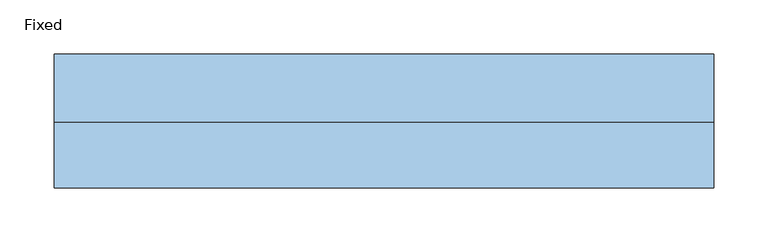
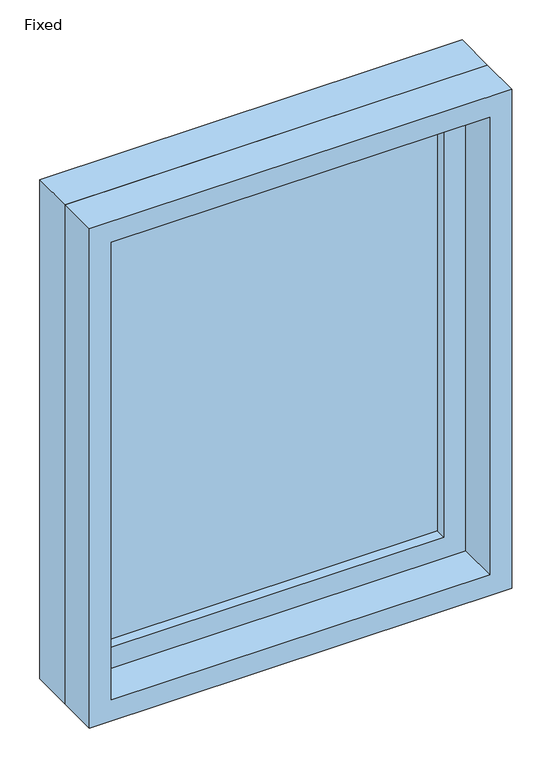
"""IFC4 building model written with IfcOpenShell, lengths in millimetres: window geometry, Fixed."""

from ifc_helpers import new_model, si_unit, frame, origin, place, context, project, spatial, polyline, outline, extrude, source, transform, mapped, element, save


def fixed_a2570380(model_context):
    return source(origin(), model_context, "Body", "SweptSolid", [
        extrude(outline(polyline([(203.2, 14.2875), (-279.4, 14.2875), (-279.4, 26.9875), (203.2, 26.9875), (203.2, 14.2875)])), frame((0.0, 0.0, 1130.3), z_axis=(0.0, 0.0, 1.0), x_axis=(1.0, 0.0, 0.0)), (0.0, 0.0, 1.0), 635.0),
        extrude(outline(polyline([(1809.75, -323.85), (1085.85, -323.85), (1085.85, 247.65), (1809.75, 247.65), (1809.75, -323.85)]), holes=[polyline([(1765.3, -279.4), (1765.3, 203.2), (1130.3, 203.2), (1130.3, -279.4), (1765.3, -279.4)])]), frame((0.0, -1.5875, 0.0), z_axis=(0.0, 1.0, 0.0), x_axis=(0.0, 0.0, 1.0)), (0.0, 0.0, 1.0), 44.45),
        extrude(outline(polyline([(1828.8, -342.9), (1066.8, -342.9), (1066.8, 266.7), (1828.8, 266.7), (1828.8, -342.9)]), holes=[polyline([(1797.05, -311.15), (1797.05, 234.95), (1098.55, 234.95), (1098.55, -311.15), (1797.05, -311.15)])]), frame((0.0, -61.9125, 0.0), z_axis=(0.0, 1.0, 0.0), x_axis=(0.0, 0.0, 1.0)), (0.0, 0.0, 1.0), 60.325),
        extrude(outline(polyline([(1828.8, 266.7), (1828.8, -342.9), (1066.8, -342.9), (1066.8, 266.7), (1828.8, 266.7)]), holes=[polyline([(1809.75, 247.65), (1085.85, 247.65), (1085.85, -323.85), (1809.75, -323.85), (1809.75, 247.65)])]), frame((0.0, -1.5875, 0.0), z_axis=(0.0, 1.0, 0.0), x_axis=(0.0, 0.0, 1.0)), (0.0, 0.0, 1.0), 63.5),
    ])


if __name__ == "__main__":
    model = new_model("IFC4")
    model_context = context("Model", 3, world=origin())
    ifc_project = project(units=[si_unit("LENGTHUNIT", "METRE", prefix="MILLI")], contexts=[model_context])
    site = spatial("IfcSite", under=ifc_project)
    building = spatial("IfcBuilding", under=site)
    placement = place(None, origin())
    fixed_shape = fixed_a2570380(model_context)
    element("IfcWindow", 1, ObjectType="Fixed", at=placement, inside=building, context=model_context, shape_type="MappedRepresentation", body=[
        mapped(fixed_shape, transform((0.0, 0.0, 0.0), x_axis=(1.0, 0.0, 0.0), y_axis=(0.0, 1.0, 0.0), z_axis=(0.0, 0.0, 1.0))),
    ])
    save(model, "model.ifc")
